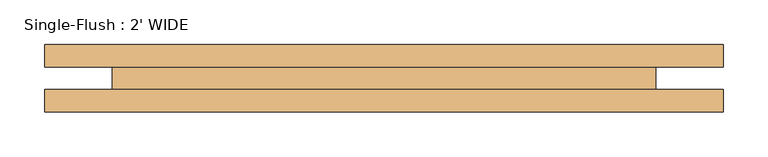
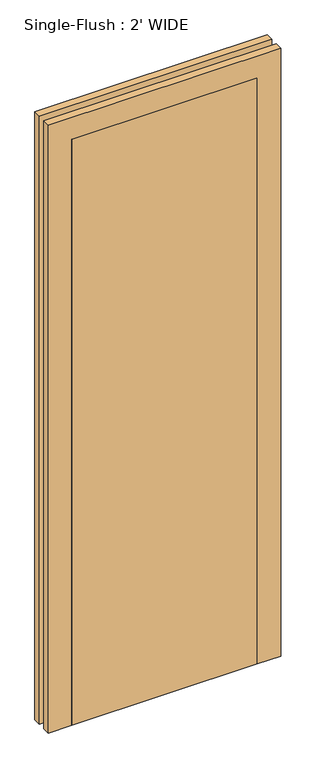
"""IFC4 building model written with IfcOpenShell, lengths in millimetres: door geometry, Single-Flush : 2' WIDE."""

from ifc_helpers import new_model, si_unit, frame, origin, origin_with_axes, place, context, project, spatial, polyline, outline, extrude, source, transform, mapped, element, save


def single_flush_2_wide_7a93e953(model_context):
    return source(origin(), model_context, "Body", "SweptSolid", [
        extrude(outline(polyline([(2108.2, -381.0), (0.0, -381.0), (0.0, -304.8), (2032.0, -304.8), (2032.0, 304.8), (0.0, 304.8), (0.0, 381.0), (2108.2, 381.0), (2108.2, -381.0)])), frame((0.0, 12.7, 0.0), z_axis=(0.0, 1.0, 0.0), x_axis=(0.0, 0.0, 1.0)), (0.0, 0.0, 1.0), 25.4),
        extrude(outline(polyline([(2108.2, 381.0), (2108.2, -381.0), (0.0, -381.0), (0.0, -304.8), (2032.0, -304.8), (2032.0, 304.8), (0.0, 304.8), (0.0, 381.0), (2108.2, 381.0)])), frame((0.0, -38.1, 0.0), z_axis=(0.0, 1.0, 0.0), x_axis=(0.0, 0.0, 1.0)), (0.0, 0.0, 1.0), 25.4),
        extrude(outline(polyline([(304.8, -38.1), (-304.8, -38.1), (-304.8, 12.7), (304.8, 12.7), (304.8, -38.1)])), origin_with_axes(), (0.0, 0.0, 1.0), 2032.0),
    ])


if __name__ == "__main__":
    model = new_model("IFC4")
    model_context = context("Model", 3, world=origin())
    ifc_project = project(units=[si_unit("LENGTHUNIT", "METRE", prefix="MILLI")], contexts=[model_context])
    site = spatial("IfcSite", under=ifc_project)
    building = spatial("IfcBuilding", under=site)
    placement = place(None, origin())
    single_flush_2_wide_shape = single_flush_2_wide_7a93e953(model_context)
    element("IfcDoor", 1, ObjectType="Single-Flush : 2' WIDE", at=placement, inside=building, context=model_context, shape_type="MappedRepresentation", body=[
        mapped(single_flush_2_wide_shape, transform((0.0, 0.0, 0.0), x_axis=(1.0, 0.0, 0.0), y_axis=(0.0, 1.0, 0.0), z_axis=(0.0, 0.0, 1.0))),
    ])
    save(model, "model.ifc")
